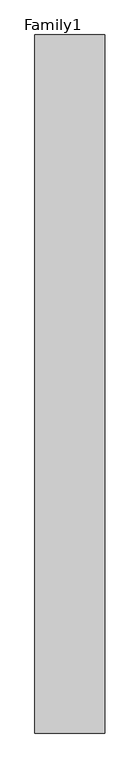
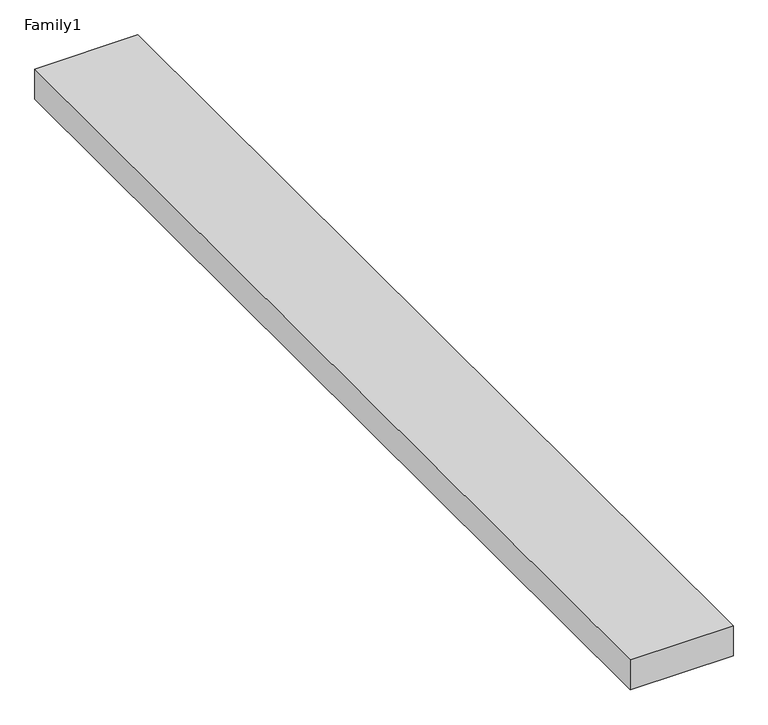
"""IFC4 building model written with IfcOpenShell, lengths in millimetres: proxy geometry, Family1."""

from ifc_helpers import new_model, si_unit, origin, origin_with_axes, place, context, project, spatial, polyline, outline, extrude, source, transform, mapped, element, save


def family1_67adfd7f(model_context):
    return source(origin(), model_context, "Body", "SweptSolid", [
        extrude(outline(polyline([(5000.0, 0.0), (0.0, 0.0), (0.0, 50000.0), (5000.0, 50000.0), (5000.0, 0.0)])), origin_with_axes(), (0.0, 0.0, 1.0), 1544.0),
    ])


if __name__ == "__main__":
    model = new_model("IFC4")
    model_context = context("Model", 3, world=origin())
    ifc_project = project(units=[si_unit("LENGTHUNIT", "METRE", prefix="MILLI")], contexts=[model_context])
    site = spatial("IfcSite", under=ifc_project)
    building = spatial("IfcBuilding", under=site)
    placement = place(None, origin())
    family1_shape = family1_67adfd7f(model_context)
    element("IfcBuildingElementProxy", 1, Name="Family1", ObjectType="Family1", at=placement, inside=building, context=model_context, shape_type="MappedRepresentation", body=[
        mapped(family1_shape, transform((0.0, 0.0, 0.0), x_axis=(1.0, 0.0, 0.0), y_axis=(0.0, 1.0, 0.0), z_axis=(0.0, 0.0, 1.0))),
    ])
    save(model, "model.ifc")
